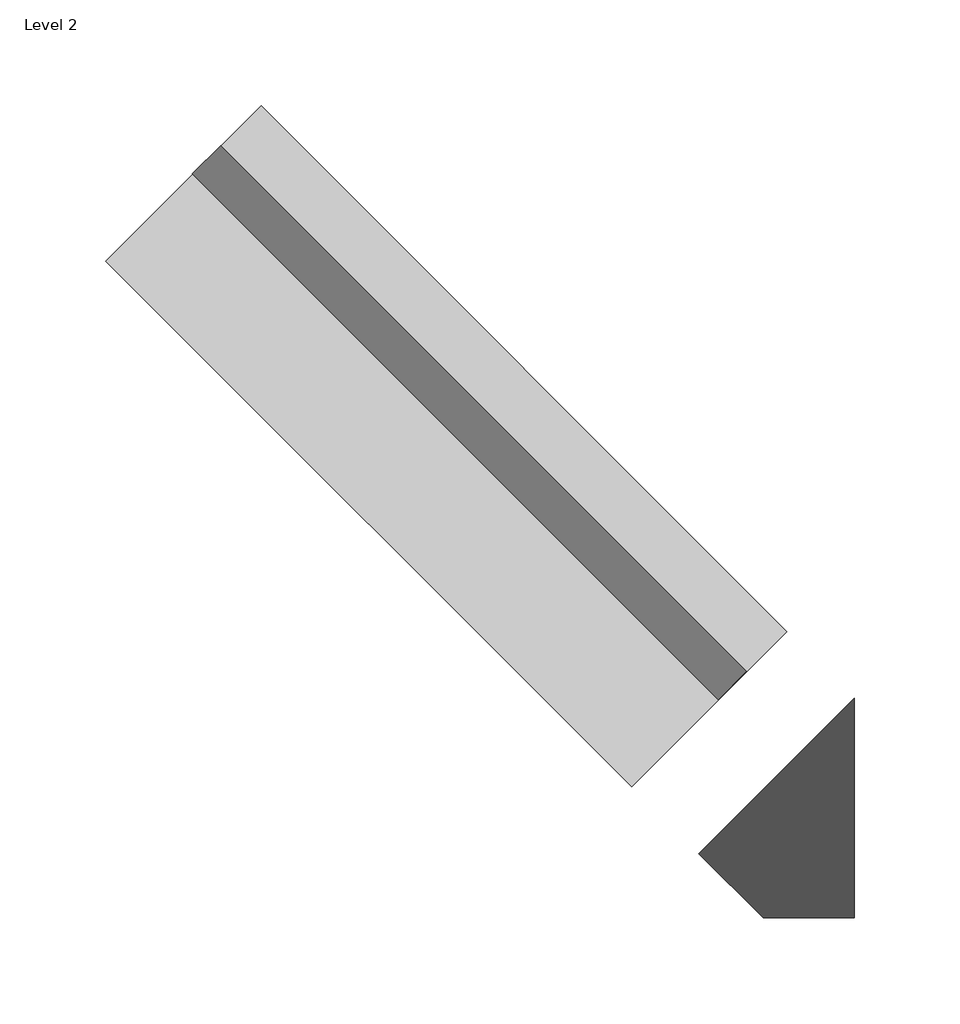
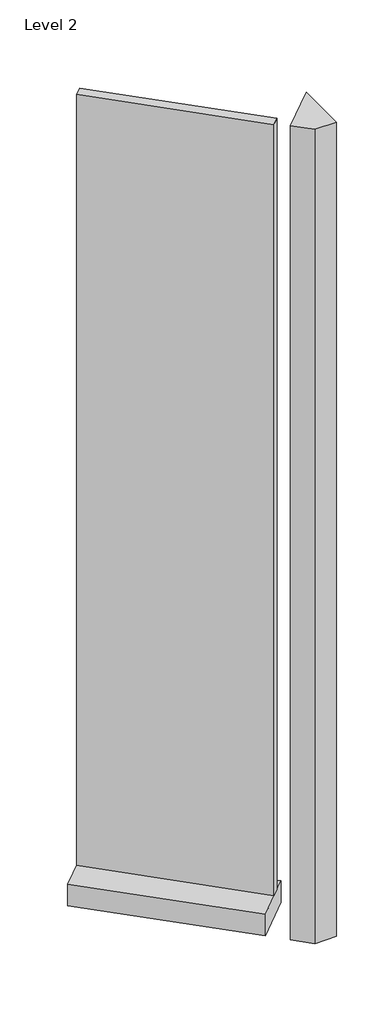
# One storey, part 1 of 3: 2 members, 1 plate.
"""IFC4 building model written with IfcOpenShell, lengths in millimetres."""

import ifcopenshell
import ifcopenshell.guid

model = None  # the IFC model being written
_history = None  # IfcOwnerHistory: only IFC2X3 demands one
_inside = {}  # id of a spatial element -> (the spatial element, [elements in it])
_under = {}  # id of a project, library or spatial element -> (it, [spatial elements below it])
_declared = {}  # id of a project -> (the project, [libraries it declares])
_typed = {}  # id of a type object -> (the type object, [elements of that type])
_made_of = {}  # id of a material, layer set ... -> (it, [elements and type objects made of it])


def new_model(schema):
    """Start an empty IFC model of exactly this schema.

    Asked for "IFC4X3", IfcOpenShell would pick the latest addendum, in which some entities
    have other attributes; the version numbers below select the first issue.
    IFC2X3 requires an IfcOwnerHistory on every rooted entity: one is made here for all.
    """
    global model, _history
    if schema == "IFC4X3":
        model = ifcopenshell.file(schema_version=(4, 3, 0, 0))
    else:
        model = ifcopenshell.file(schema=schema)
    _inside.clear()
    _under.clear()
    _declared.clear()
    _typed.clear()
    _made_of.clear()
    _history = None
    if model.schema == "IFC2X3":
        org = make("IfcOrganization", Name="unknown")
        user = make(
            "IfcPersonAndOrganization",
            ThePerson=make("IfcPerson", FamilyName="unknown"),
            TheOrganization=org,
        )
        app = make(
            "IfcApplication",
            ApplicationDeveloper=org,
            Version="unknown",
            ApplicationFullName="unknown",
            ApplicationIdentifier="unknown",
        )
        _history = make(
            "IfcOwnerHistory",
            OwningUser=user,
            OwningApplication=app,
            ChangeAction="ADDED",
            CreationDate=0,
        )
    return model


def make(cls, **values):
    """One entity of the class cls with the attributes given. An attribute that is None is left unset."""
    return model.create_entity(
        cls, **{name: value for name, value in values.items() if value is not None}
    )


def rooted(cls, **values):
    """An entity with a GlobalId (a new one), such as an element, a storey or a relation."""
    return make(cls, GlobalId=ifcopenshell.guid.new(), OwnerHistory=_history, **values)


def si_unit(unit_type, name, prefix=None):
    """IfcSIUnit, for example si_unit("LENGTHUNIT", "METRE", prefix="MILLI")."""
    return make("IfcSIUnit", UnitType=unit_type, Prefix=prefix, Name=name)


def assignment(units):
    """IfcUnitAssignment: the units of a project."""
    return None if units is None else make("IfcUnitAssignment", Units=units)


def point(xyz):
    """IfcCartesianPoint."""
    return None if xyz is None else make("IfcCartesianPoint", Coordinates=xyz)


def direction(xyz):
    """IfcDirection."""
    return None if xyz is None else make("IfcDirection", DirectionRatios=xyz)


def frame(location, z_axis=None, x_axis=None):
    """IfcAxis2Placement3D, a coordinate frame: its origin and axes. An axis left out is left unset."""
    return make(
        "IfcAxis2Placement3D",
        Location=point(location),
        Axis=direction(z_axis),
        RefDirection=direction(x_axis),
    )


def origin():
    """The frame at (0, 0, 0) with its axes left unset."""
    return frame((0.0, 0.0, 0.0))


def origin_with_axes():
    """The frame at (0, 0, 0) with the z axis (0, 0, 1) and the x axis (1, 0, 0) written out."""
    return frame((0.0, 0.0, 0.0), z_axis=(0.0, 0.0, 1.0), x_axis=(1.0, 0.0, 0.0))


def place(relative_to, where):
    """IfcLocalPlacement: puts the frame where relative to a parent placement (None: the world)."""
    return make(
        "IfcLocalPlacement", PlacementRelTo=relative_to, RelativePlacement=where
    )


def context(
    kind, dimensions, precision=None, world=None, true_north=None, identifier=None
):
    """IfcGeometricRepresentationContext, for example the 3D "Model" context."""
    return make(
        "IfcGeometricRepresentationContext",
        ContextIdentifier=identifier,
        ContextType=kind,
        CoordinateSpaceDimension=dimensions,
        Precision=precision,
        WorldCoordinateSystem=world,
        TrueNorth=true_north,
    )


def project(units=None, contexts=None):
    """IfcProject with its units and contexts."""
    return rooted(
        "IfcProject",
        Name="project",
        RepresentationContexts=contexts,
        UnitsInContext=assignment(units),
    )


def spatial(cls, under=None, at=None, **own):
    """A site, building, storey or space (cls), placed at a placement, below another one or the project."""
    s = rooted(cls, ObjectPlacement=at, **own)
    if under is not None:
        _under.setdefault(under.id(), (under, []))[1].append(s)
    return s


def polyline(points):
    """IfcPolyline through the points."""
    return make("IfcPolyline", Points=[point(p) for p in points])


def outline(outer, holes=None, kind="AREA"):
    """IfcArbitraryClosedProfileDef: a profile drawn as a closed curve; with holes, ...WithVoids."""
    if holes is None:
        return make("IfcArbitraryClosedProfileDef", ProfileType=kind, OuterCurve=outer)
    return make(
        "IfcArbitraryProfileDefWithVoids",
        ProfileType=kind,
        OuterCurve=outer,
        InnerCurves=holes,
    )


def extrude(swept, where, along, depth):
    """IfcExtrudedAreaSolid: the profile swept, set in the frame where, extruded along a direction by depth."""
    return make(
        "IfcExtrudedAreaSolid",
        SweptArea=swept,
        Position=where,
        ExtrudedDirection=direction(along),
        Depth=depth,
    )


def shape(context_of_items, identifier, shape_type, items):
    """IfcShapeRepresentation: the items that make up one representation, for example the "Body"."""
    return make(
        "IfcShapeRepresentation",
        ContextOfItems=context_of_items,
        RepresentationIdentifier=identifier,
        RepresentationType=shape_type,
        Items=items,
    )


def source(mapping_origin, context_of_items, identifier, shape_type, items):
    """IfcRepresentationMap: a shape defined once, which mapped items show again and again."""
    return make(
        "IfcRepresentationMap",
        MappingOrigin=mapping_origin,
        MappedRepresentation=shape(context_of_items, identifier, shape_type, items),
    )


def transform(
    local_origin,
    x_axis=None,
    y_axis=None,
    z_axis=None,
    scale=None,
    scale2=None,
    scale3=None,
    uniform=True,
):
    """IfcCartesianTransformationOperator3D, or its non-uniform kind. x_axis, y_axis, z_axis: its Axis1, 2, 3."""
    if uniform:
        return make(
            "IfcCartesianTransformationOperator3D",
            Axis1=direction(x_axis),
            Axis2=direction(y_axis),
            LocalOrigin=point(local_origin),
            Scale=scale,
            Axis3=direction(z_axis),
        )
    return make(
        "IfcCartesianTransformationOperator3DnonUniform",
        Axis1=direction(x_axis),
        Axis2=direction(y_axis),
        LocalOrigin=point(local_origin),
        Scale=scale,
        Axis3=direction(z_axis),
        Scale2=scale2,
        Scale3=scale3,
    )


def mapped(mapping_source, mapping_target):
    """IfcMappedItem: shows the shape of a source again, moved by a transform."""
    return make(
        "IfcMappedItem", MappingSource=mapping_source, MappingTarget=mapping_target
    )


def made_of(thing, what):
    """Note that an element or type object is made of a material, layer set ...; save() writes the relation."""
    if what is not None:
        _made_of.setdefault(what.id(), (what, []))[1].append(thing)
    return thing


def element(
    cls,
    number,
    at=None,
    inside=None,
    cuts=None,
    type_object=None,
    material=None,
    context=None,
    identifier="Body",
    shape_type=None,
    held_by="IfcProductDefinitionShape",
    body=None,
    shapes=None,
    **own,
):
    """One element of the class cls, such as IfcWall. Its Tag is "e" and its number.

    at: its placement. inside: the storey or other place that contains it. cuts: it is an
    opening in that element (IfcRelVoidsElement). A single representation is given by context,
    identifier, shape_type and body (its items); several are given by shapes. held_by: the class
    of the entity that holds the representations. save() writes the other relations.
    """
    e = rooted(cls, Tag="e%d" % number, ObjectPlacement=at, **own)
    if body is not None:
        shapes = [shape(context, identifier, shape_type, body)]
    if shapes is not None:
        e.Representation = make(held_by, Representations=shapes)
    if inside is not None:
        _inside.setdefault(inside.id(), (inside, []))[1].append(e)
    if cuts is not None:
        rooted(
            "IfcRelVoidsElement", RelatingBuildingElement=cuts, RelatedOpeningElement=e
        )
    if type_object is not None:
        _typed.setdefault(type_object.id(), (type_object, []))[1].append(e)
    return made_of(e, material)


def aggregate(whole, parts):
    """IfcRelAggregates: a whole, such as a stair, and the parts it consists of."""
    return rooted("IfcRelAggregates", RelatingObject=whole, RelatedObjects=parts)


def save(model, path):
    """Write the relations noted so far, then the file.

    IfcRelAggregates (storeys below a building ...), IfcRelContainedInSpatialStructure (elements
    in a storey), IfcRelDefinesByType, IfcRelAssociatesMaterial and IfcRelDeclares: one each for
    every whole, place, type object, material and project.
    """
    for whole, parts in _under.values():
        aggregate(whole, parts)
    for where, things in _inside.values():
        rooted(
            "IfcRelContainedInSpatialStructure",
            RelatedElements=things,
            RelatingStructure=where,
        )
    for kind, things in _typed.values():
        rooted("IfcRelDefinesByType", RelatedObjects=things, RelatingType=kind)
    for what, things in _made_of.values():
        rooted("IfcRelAssociatesMaterial", RelatedObjects=things, RelatingMaterial=what)
    for by, libraries in _declared.values():
        rooted("IfcRelDeclares", RelatingContext=by, RelatedDefinitions=libraries)
    model.write(path)


def quad_corner_mullion_36b1ca0c(model_context):
    return source(origin(), model_context, "Body", "SweptSolid", [
        extrude(outline(polyline([(58.4514837, 37.0338959), (-15.1445216, -36.5621094), (-15.1445216, 67.5183594), (27.9670202, 67.5183594), (58.4514837, 37.0338959)])), frame((0.0, 0.0, -1708.8912252), z_axis=(0.0, 0.0, 1.0), x_axis=(1.0, 0.0, 0.0)), (0.0, 0.0, 1.0), 1708.8912252),
    ])


def rectangular_mullion_4f4af720(model_context):
    return source(origin(), model_context, "Body", "SweptSolid", [
        extrude(outline(polyline([(-45.0, 67.525), (0.0, 67.525), (0.0, -36.525), (-45.0, -36.525), (-45.0, 67.525)])), frame((0.0, 0.0, -352.1429689), z_axis=(0.0, 0.0, 1.0), x_axis=(1.0, 0.0, 0.0)), (0.0, 0.0, 1.0), 352.1429689),
    ])


def plate_f195004c(model_context):
    return source(origin(), model_context, "Body", "SweptSolid", [
        extrude(outline(polyline([(176.0280762, -9.525), (-176.0280762, -9.525), (-176.0280762, 9.525), (176.0280762, 9.525), (176.0280762, -9.525)])), origin_with_axes(), (0.0, 0.0, 1.0), 1618.8912252),
    ])


model = new_model("IFC4")

# Units and contexts
model_context = context("Model", 3, world=origin())
ifc_project = project(units=[si_unit("LENGTHUNIT", "METRE", prefix="MILLI")], contexts=[model_context])

# Site, building, storey
site = spatial("IfcSite", under=ifc_project)
building = spatial("IfcBuilding", under=site)
storey = spatial("IfcBuildingStorey", under=building, Name="Level 2", Elevation=4572.0)

# Members
placement = place(None, origin())
quad_corner_mullion_shape = quad_corner_mullion_36b1ca0c(model_context)
element("IfcMember", 1, ObjectType="Quad Corner Mullion", at=placement, inside=storey, context=model_context, shape_type="MappedRepresentation", body=[
    mapped(quad_corner_mullion_shape, transform((25749.5504115, 22391.0923772, 6280.8912252), x_axis=(-1.0, 0.0, 0.0), y_axis=(0.0, -1.0, 0.0), z_axis=(0.0, 0.0, 1.0))),
])
rectangular_mullion_shape = rectangular_mullion_4f4af720(model_context)
element("IfcMember", 2, ObjectType="Rectangular Mullion", at=placement, inside=storey, context=model_context, shape_type="MappedRepresentation", body=[
    mapped(rectangular_mullion_shape, transform((25458.0809963, 22682.5617924, 4572.0), x_axis=(0.0, 0.0, -1.0), y_axis=(-0.7071067811865476, -0.7071067811865476, 0.0), z_axis=(-0.7071067811865475, 0.7071067811865475, 0.0))),
])

# Plate
plate_shape = plate_f195004c(model_context)
element("IfcPlate", 3, at=placement, inside=storey, context=model_context, shape_type="MappedRepresentation", body=[
    mapped(plate_shape, transform((25582.5516427, 22558.091146, 4617.0), x_axis=(0.7071067811865476, -0.7071067811865476, 0.0), y_axis=(0.7071067811865476, 0.7071067811865476, 0.0), z_axis=(0.0, 0.0, 1.0))),
])

save(model, "model.ifc")
